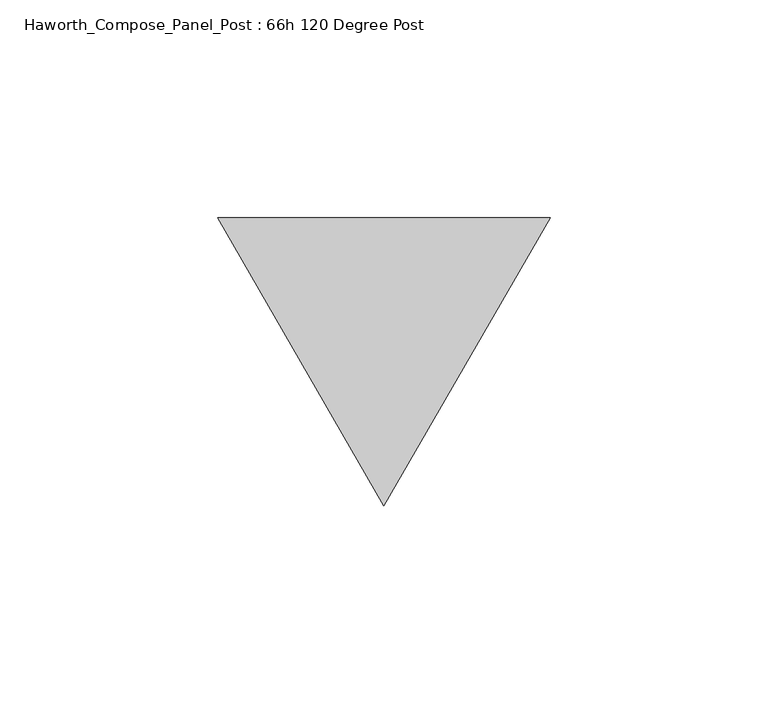
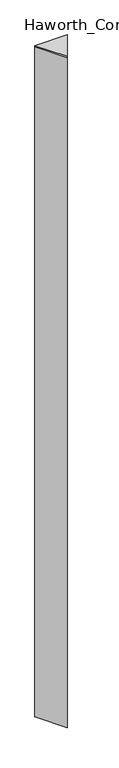
"""IFC4 building model written with IfcOpenShell, lengths in millimetres: furniture geometry, Haworth_Compose_Panel_Post : 66h 120 Degree Post."""

from ifc_helpers import new_model, si_unit, frame, origin, place, context, project, spatial, polyline, outline, extrude, source, transform, mapped, element, save


def haworth_compose_panel_post_66h_120_degree_post_66b79924(model_context):
    return source(origin(), model_context, "Body", "SweptSolid", [
        extrude(outline(polyline([(76.2, 32.9955679), (38.1, -32.9955679), (0.0, 32.9955679), (76.2, 32.9955679)])), frame((0.0, 0.0, 1670.05), z_axis=(0.0, 0.0, 1.0), x_axis=(1.0, 0.0, 0.0)), (0.0, 0.0, 1.0), 3.175),
        extrude(outline(polyline([(76.2, 32.9955679), (38.1, -32.9955679), (0.0, 32.9955679), (76.2, 32.9955679)])), frame((0.0, 0.0, 12.7), z_axis=(0.0, 0.0, 1.0), x_axis=(1.0, 0.0, 0.0)), (0.0, 0.0, 1.0), 1657.35),
    ])


if __name__ == "__main__":
    model = new_model("IFC4")
    model_context = context("Model", 3, world=origin())
    ifc_project = project(units=[si_unit("LENGTHUNIT", "METRE", prefix="MILLI")], contexts=[model_context])
    site = spatial("IfcSite", under=ifc_project)
    building = spatial("IfcBuilding", under=site)
    placement = place(None, origin())
    haworth_compose_panel_post_66h_120_degree_post_shape = haworth_compose_panel_post_66h_120_degree_post_66b79924(model_context)
    element("IfcFurniture", 1, ObjectType="Haworth_Compose_Panel_Post : 66h 120 Degree Post", at=placement, inside=building, context=model_context, shape_type="MappedRepresentation", body=[
        mapped(haworth_compose_panel_post_66h_120_degree_post_shape, transform((0.0, 0.0, 0.0), x_axis=(1.0, 0.0, 0.0), y_axis=(0.0, 1.0, 0.0), z_axis=(0.0, 0.0, 1.0))),
    ])
    save(model, "model.ifc")
